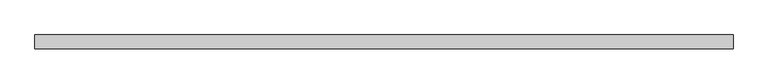
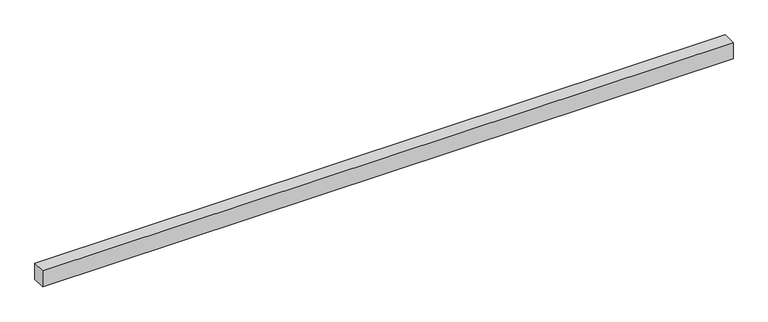
"""IFC4 building model written with IfcOpenShell, lengths in millimetres: proxy geometry."""

from ifc_helpers import new_model, si_unit, origin, origin_with_axes, place, context, project, spatial, polyline, outline, extrude, source, transform, mapped, element, save


def generic_models_e5ad0909(model_context):
    return source(origin(), model_context, "Body", "SweptSolid", [
        extrude(outline(polyline([(4080.0, -40.0), (0.0, -40.0), (0.0, 40.0), (4080.0, 40.0), (4080.0, -40.0)])), origin_with_axes(), (0.0, 0.0, 1.0), 100.0),
    ])


if __name__ == "__main__":
    model = new_model("IFC4")
    model_context = context("Model", 3, world=origin())
    ifc_project = project(units=[si_unit("LENGTHUNIT", "METRE", prefix="MILLI")], contexts=[model_context])
    site = spatial("IfcSite", under=ifc_project)
    building = spatial("IfcBuilding", under=site)
    placement = place(None, origin())
    generic_models_shape = generic_models_e5ad0909(model_context)
    element("IfcBuildingElementProxy", 1, Name="Generic Models", at=placement, inside=building, context=model_context, shape_type="MappedRepresentation", body=[
        mapped(generic_models_shape, transform((0.0, 0.0, 0.0), x_axis=(1.0, 0.0, 0.0), y_axis=(0.0, 1.0, 0.0), z_axis=(0.0, 0.0, 1.0))),
    ])
    save(model, "model.ifc")
